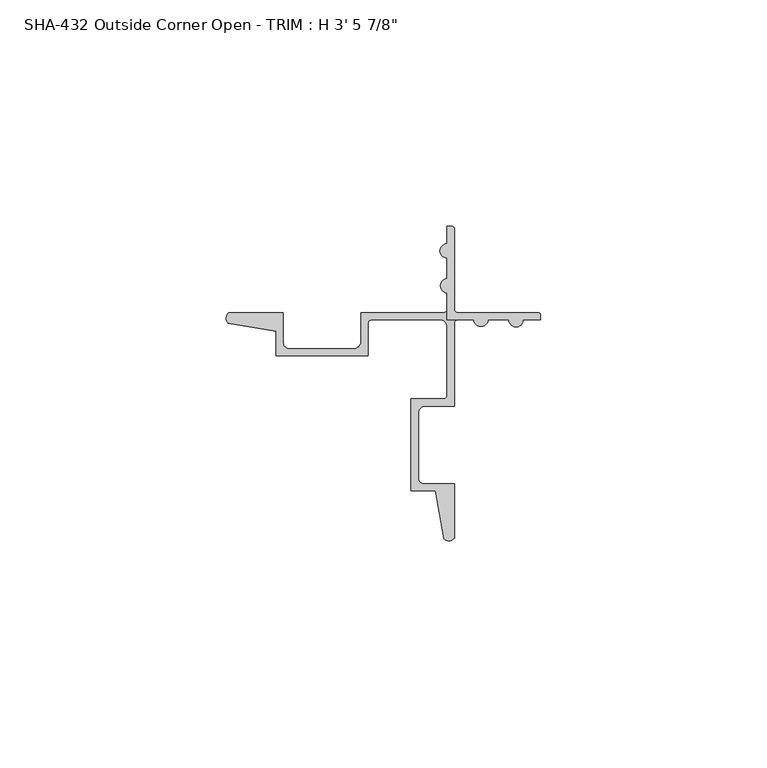
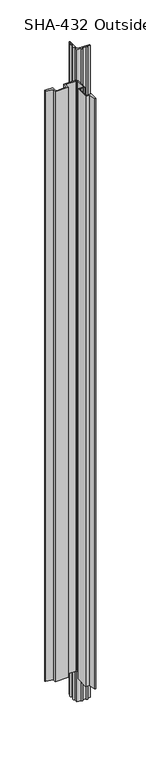
"""IFC4 building model written with IfcOpenShell, lengths in millimetres: proxy geometry."""

from ifc_helpers import new_model, si_unit, frame, origin, place, context, project, spatial, polyline, circle_curve, source, transform, mapped, element, save
from ifc_brep_helpers import plane_surface, cylinder_surface, revolved_surface, advanced_brep


def proxy_4dcf19a9(model_context):
    return source(origin(), model_context, "Body", "AdvancedBrep", [
        advanced_brep(
        [(24.4660295, 17.4752, 1063.625), (27.6156295, 17.4752, 1063.625), (32.2003295, 17.4752, 1063.625), (35.3499295, 17.4752, 1063.625), (39.1726295, 17.4752, 1063.625), (39.1726295, 18.532872, 1063.625), (38.6555014, 19.05, 1063.625), (20.9176495, 19.05, 1063.625), (20.1226295, 19.84502, 1063.625), (20.1226295, 37.5701258, 1063.625), (19.5927553, 38.1, 1063.625), (18.5478295, 38.1, 1063.625), (18.5478295, 34.2773, 1063.625), (18.5478295, 31.1277, 1063.625), (18.5478295, 26.543, 1063.625), (18.5478295, 23.3934, 1063.625), (18.5478295, 17.4752, 1063.625), (18.5478295, 17.4752, 0.0), (18.5478295, 23.3934, 0.0), (18.5478295, 26.543, 0.0), (18.5478295, 31.1277, 0.0), (18.5478295, 34.2773, 0.0), (18.5478295, 38.1, 0.0), (19.5927553, 38.1, 0.0), (20.1226295, 37.5701258, 0.0), (20.1226295, 19.84502, 0.0), (20.9176495, 19.05, 0.0), (38.6555014, 19.05, 0.0), (39.1726295, 18.532872, 0.0), (39.1726295, 17.4752, 0.0), (35.3499295, 17.4752, 0.0), (32.2003295, 17.4752, 0.0), (27.6156295, 17.4752, 0.0), (24.4660295, 17.4752, 0.0), (-29.8194785, 16.7286308, 1012.825), (-29.8194785, 16.7286308, 50.8), (-19.2433916, 14.917657, 50.8), (-19.2433916, 14.917657, 1012.825), (-19.2433916, 9.525, 50.8), (-19.2433916, 9.525, 1012.825), (1.0726295, 9.525, 50.8), (1.0726295, 9.525, 1012.825), (1.0726295, 16.68018, 50.8), (1.0726295, 16.68018, 1012.825), (1.8676495, 17.4752, 50.8), (1.8676495, 17.4752, 1012.825), (18.5478295, 17.4752, 1012.825), (20.9176495, 17.4752, 1012.825), (20.9176495, 17.4752, 50.8), (18.5478295, 17.4752, 50.8), (16.9603295, 17.4752, 50.8), (16.9603295, 17.4752, 1012.825), (18.5478295, 15.8877, 50.8), (18.5478295, 15.8877, 1012.825), (18.5478295, 0.79502, 50.8), (18.5478295, 0.79502, 1012.825), (17.7528095, 0.0, 50.8), (17.7528095, 0.0, 1012.825), (10.5976295, 0.0, 50.8), (10.5976295, 0.0, 1012.825), (10.5976295, -20.3160211, 50.8), (10.5976295, -20.3160211, 1012.825), (15.9902864, -20.3160211, 50.8), (15.9902864, -20.3160211, 1012.825), (17.8012602, -30.892108, 50.8), (17.8012602, -30.892108, 1012.825), (20.1226295, -30.8260242, 1012.825), (20.1226295, -30.8260242, 50.8), (20.1226295, -18.7412211, 50.8), (20.1226295, -18.7412211, 1012.825), (13.4424295, -18.7412211, 1012.825), (13.4424295, -18.7412211, 50.8), (12.1724295, -17.4712211, 50.8), (12.1724295, -17.4712211, 1012.825), (12.1724295, -3.1623, 50.8), (12.1724295, -3.1623, 1012.825), (13.7599295, -1.5748, 50.8), (13.7599295, -1.5748, 1012.825), (20.1226295, -1.5748, 1012.825), (20.1226295, -1.5748, 50.8), (20.1226295, 16.68018, 50.8), (20.1226295, 16.68018, 1012.825), (18.5478295, 19.84502, 50.8), (18.5478295, 19.84502, 1012.825), (17.7528095, 19.05, 50.8), (17.7528095, 19.05, 1012.825), (-0.5021705, 19.05, 50.8), (-0.5021705, 19.05, 1012.825), (-0.5021705, 12.6873, 50.8), (-0.5021705, 12.6873, 1012.825), (-2.0896705, 11.0998, 50.8), (-2.0896705, 11.0998, 1012.825), (-16.3985916, 11.0998, 50.8), (-16.3985916, 11.0998, 1012.825), (-17.6685916, 12.3698, 50.8), (-17.6685916, 12.3698, 1012.825), (-17.6685916, 19.05, 50.8), (-17.6685916, 19.05, 1012.825), (-29.7533947, 19.05, 50.8), (-29.7533947, 19.05, 1012.825)],
        [
            (0, 1, circle_curve(frame((26.0408295, 17.5661854, 1063.625), z_axis=(0.0, 0.0, 1.0), x_axis=(1.0, 0.0, 0.0)), 1.5774262)),
            (1, 2),
            (2, 3, circle_curve(frame((33.7751295, 17.4752, 1063.625), z_axis=(0.0, 0.0, 1.0), x_axis=(1.0, 0.0, 0.0)), 1.5748)),
            (3, 4),
            (4, 5),
            (5, 6, circle_curve(frame((38.6555014, 18.532872, 1063.625), z_axis=(0.0, 0.0, 1.0), x_axis=(1.0, 0.0, 0.0)), 0.517128)),
            (6, 7),
            (7, 8, circle_curve(frame((20.9176495, 19.84502, 1063.625), z_axis=(0.0, 0.0, -1.0), x_axis=(1.0, 0.0, 0.0)), 0.79502)),
            (8, 9),
            (9, 10, circle_curve(frame((19.5927553, 37.5701258, 1063.625), z_axis=(0.0, 0.0, 1.0), x_axis=(1.0, 0.0, 0.0)), 0.5298742)),
            (10, 11),
            (11, 12),
            (12, 13, circle_curve(frame((18.5478295, 32.7025, 1063.625), z_axis=(0.0, 0.0, 1.0), x_axis=(1.0, 0.0, 0.0)), 1.5748)),
            (13, 14),
            (14, 15, circle_curve(frame((18.6388149, 24.9682, 1063.625), z_axis=(0.0, 0.0, 1.0), x_axis=(1.0, 0.0, 0.0)), 1.5774262)),
            (15, 16),
            (16, 0),
            (17, 18),
            (18, 19, circle_curve(frame((18.6388149, 24.9682, 0.0), z_axis=(0.0, 0.0, -1.0), x_axis=(1.0, 0.0, 0.0)), 1.5774262)),
            (19, 20),
            (20, 21, circle_curve(frame((18.5478295, 32.7025, 0.0), z_axis=(0.0, 0.0, -1.0), x_axis=(1.0, 0.0, 0.0)), 1.5748)),
            (21, 22),
            (22, 23),
            (23, 24, circle_curve(frame((19.5927553, 37.5701258, 0.0), z_axis=(0.0, 0.0, -1.0), x_axis=(1.0, 0.0, 0.0)), 0.5298742)),
            (24, 25),
            (25, 26, circle_curve(frame((20.9176495, 19.84502, 0.0), z_axis=(0.0, 0.0, 1.0), x_axis=(1.0, 0.0, 0.0)), 0.79502)),
            (26, 27),
            (27, 28, circle_curve(frame((38.6555014, 18.532872, 0.0), z_axis=(0.0, 0.0, -1.0), x_axis=(1.0, 0.0, 0.0)), 0.517128)),
            (28, 29),
            (29, 30),
            (30, 31, circle_curve(frame((33.7751295, 17.4752, 0.0), z_axis=(0.0, 0.0, -1.0), x_axis=(1.0, 0.0, 0.0)), 1.5748)),
            (31, 32),
            (32, 33, circle_curve(frame((26.0408295, 17.5661854, 0.0), z_axis=(0.0, 0.0, -1.0), x_axis=(1.0, 0.0, 0.0)), 1.5774262)),
            (33, 17),
            (34, 35),
            (35, 36),
            (36, 37),
            (37, 34),
            (36, 38),
            (38, 39),
            (39, 37),
            (38, 40),
            (40, 41),
            (41, 39),
            (40, 42),
            (42, 43),
            (43, 41),
            (42, 44, circle_curve(frame((1.8676495, 16.68018, 50.8), z_axis=(0.0, 0.0, -1.0), x_axis=(1.0, 0.0, 0.0)), 0.79502)),
            (44, 45),
            (45, 43, circle_curve(frame((1.8676495, 16.68018, 1012.825), z_axis=(0.0, 0.0, 1.0), x_axis=(1.0, 0.0, 0.0)), 0.79502)),
            (33, 0),
            (16, 46),
            (46, 47),
            (47, 48),
            (48, 49),
            (49, 17),
            (50, 51),
            (51, 45),
            (44, 50),
            (50, 52, circle_curve(frame((16.9603295, 15.8877, 50.8), z_axis=(0.0, 0.0, -1.0), x_axis=(1.0, 0.0, 0.0)), 1.5875)),
            (52, 53),
            (53, 51, circle_curve(frame((16.9603295, 15.8877, 1012.825), z_axis=(0.0, 0.0, 1.0), x_axis=(1.0, 0.0, 0.0)), 1.5875)),
            (52, 54),
            (54, 55),
            (55, 53),
            (54, 56, circle_curve(frame((17.7528095, 0.79502, 50.8), z_axis=(0.0, 0.0, -1.0), x_axis=(1.0, 0.0, 0.0)), 0.79502)),
            (56, 57),
            (57, 55, circle_curve(frame((17.7528095, 0.79502, 1012.825), z_axis=(0.0, 0.0, 1.0), x_axis=(1.0, 0.0, 0.0)), 0.79502)),
            (56, 58),
            (58, 59),
            (59, 57),
            (58, 60),
            (60, 61),
            (61, 59),
            (60, 62),
            (62, 63),
            (63, 61),
            (62, 64),
            (64, 65),
            (65, 63),
            (66, 65, circle_curve(frame((18.929953, -29.7352665, 1012.825), z_axis=(0.0, 0.0, -1.0), x_axis=(1.0, 0.0, 0.0)), 1.6162393)),
            (64, 67, circle_curve(frame((18.929953, -29.7352665, 50.8), z_axis=(0.0, 0.0, 1.0), x_axis=(1.0, 0.0, 0.0)), 1.6162393)),
            (67, 66),
            (67, 68),
            (68, 69),
            (69, 66),
            (70, 69),
            (68, 71),
            (71, 70),
            (71, 72, circle_curve(frame((13.4424295, -17.4712211, 50.8), z_axis=(0.0, 0.0, -1.0), x_axis=(1.0, 0.0, 0.0)), 1.27)),
            (72, 73),
            (73, 70, circle_curve(frame((13.4424295, -17.4712211, 1012.825), z_axis=(0.0, 0.0, 1.0), x_axis=(1.0, 0.0, 0.0)), 1.27)),
            (72, 74),
            (74, 75),
            (75, 73),
            (74, 76, circle_curve(frame((13.7599295, -3.1623, 50.8), z_axis=(0.0, 0.0, -1.0), x_axis=(1.0, 0.0, 0.0)), 1.5875)),
            (76, 77),
            (77, 75, circle_curve(frame((13.7599295, -3.1623, 1012.825), z_axis=(0.0, 0.0, 1.0), x_axis=(1.0, 0.0, 0.0)), 1.5875)),
            (78, 77),
            (76, 79),
            (79, 78),
            (79, 80),
            (80, 81),
            (81, 78),
            (80, 48, circle_curve(frame((20.9176495, 16.68018, 50.8), z_axis=(0.0, 0.0, -1.0), x_axis=(1.0, 0.0, 0.0)), 0.79502)),
            (47, 81, circle_curve(frame((20.9176495, 16.68018, 1012.825), z_axis=(0.0, 0.0, 1.0), x_axis=(1.0, 0.0, 0.0)), 0.79502)),
            (32, 1),
            (31, 2),
            (30, 3),
            (29, 4),
            (28, 5),
            (27, 6),
            (26, 7),
            (25, 8),
            (24, 9),
            (23, 10),
            (22, 11),
            (21, 12),
            (20, 13),
            (19, 14),
            (18, 15),
            (49, 82),
            (82, 83),
            (83, 46),
            (82, 84, circle_curve(frame((17.7528095, 19.84502, 50.8), z_axis=(0.0, 0.0, -1.0), x_axis=(1.0, 0.0, 0.0)), 0.79502)),
            (84, 85),
            (85, 83, circle_curve(frame((17.7528095, 19.84502, 1012.825), z_axis=(0.0, 0.0, 1.0), x_axis=(1.0, 0.0, 0.0)), 0.79502)),
            (84, 86),
            (86, 87),
            (87, 85),
            (86, 88),
            (88, 89),
            (89, 87),
            (88, 90, circle_curve(frame((-2.0896705, 12.6873, 50.8), z_axis=(0.0, 0.0, -1.0), x_axis=(1.0, 0.0, 0.0)), 1.5875)),
            (90, 91),
            (91, 89, circle_curve(frame((-2.0896705, 12.6873, 1012.825), z_axis=(0.0, 0.0, 1.0), x_axis=(1.0, 0.0, 0.0)), 1.5875)),
            (90, 92),
            (92, 93),
            (93, 91),
            (92, 94, circle_curve(frame((-16.3985916, 12.3698, 50.8), z_axis=(0.0, 0.0, -1.0), x_axis=(1.0, 0.0, 0.0)), 1.27)),
            (94, 95),
            (95, 93, circle_curve(frame((-16.3985916, 12.3698, 1012.825), z_axis=(0.0, 0.0, 1.0), x_axis=(1.0, 0.0, 0.0)), 1.27)),
            (94, 96),
            (96, 97),
            (97, 95),
            (96, 98),
            (98, 99),
            (99, 97),
            (98, 35, circle_curve(frame((-28.662637, 17.8573235, 50.8), z_axis=(0.0, 0.0, 1.0), x_axis=(1.0, 0.0, 0.0)), 1.6162393)),
            (34, 99, circle_curve(frame((-28.662637, 17.8573235, 1012.825), z_axis=(0.0, 0.0, -1.0), x_axis=(1.0, 0.0, 0.0)), 1.6162393)),
        ],
        [
            plane_surface(frame((-29.8194785, 16.7286308, 1063.625), z_axis=(0.0, 0.0, 1.0000000000000002), x_axis=(0.9856543593991657, -0.16877643140385584, 0.0))),
            plane_surface(frame((-29.8194785, 16.7286308, 0.0), z_axis=(0.0, 0.0, -1.0000000000000002), x_axis=(-0.9856543593991657, 0.16877643140385584, 0.0))),
            plane_surface(frame((-29.8194785, 16.7286308, 1063.625), z_axis=(-0.16877643140385584, -0.9856543593991657, 0.0), x_axis=(0.0, 0.0, -1.0))),
            plane_surface(frame((-19.2433916, 14.917657, 1063.625), z_axis=(-1.0, 0.0, 0.0), x_axis=(0.0, 0.0, -1.0))),
            plane_surface(frame((-19.2433916, 9.525, 1063.625), z_axis=(0.0, -1.0, 0.0), x_axis=(0.0, 0.0, -1.0))),
            plane_surface(frame((1.0726295, 9.525, 1063.625), z_axis=(1.0, 0.0, 0.0), x_axis=(0.0, 0.0, -1.0))),
            revolved_surface(polyline([(2.6626695, 16.68018, 50.8), (2.6626695, 16.68018, 1012.825)]), (1.8676495, 16.68018, 0.0), (0.0, 0.0, -1.0)),
            plane_surface(frame((1.8676495, 17.4752, 1063.625), z_axis=(0.0, -1.0, 0.0), x_axis=(0.0, 0.0, -1.0))),
            revolved_surface(polyline([(18.5478295, 15.8877, 50.8), (18.5478295, 15.8877, 1012.825)]), (16.9603295, 15.8877, 0.0), (0.0, 0.0, -1.0)),
            plane_surface(frame((18.5478295, 15.8877, 1063.625), z_axis=(-1.0, 0.0, 0.0), x_axis=(0.0, 0.0, -1.0))),
            revolved_surface(polyline([(18.547829500000002, 0.79502, 50.8), (18.547829500000002, 0.79502, 1012.825)]), (17.7528095, 0.79502, 0.0), (0.0, 0.0, -1.0)),
            plane_surface(frame((17.7528095, 0.0, 1063.625), z_axis=(0.0, 1.0, 0.0), x_axis=(0.0, 0.0, -1.0))),
            plane_surface(frame((10.5976295, 0.0, 1063.625), z_axis=(-1.0, 0.0, 0.0), x_axis=(0.0, 0.0, -1.0))),
            plane_surface(frame((10.5976295, -20.3160211, 1063.625), z_axis=(0.0, -1.0, 0.0), x_axis=(0.0, 0.0, -1.0))),
            plane_surface(frame((15.9902864, -20.3160211, 1063.625), z_axis=(-0.98565435939916, -0.1687764314038893, 0.0), x_axis=(0.0, 0.0, -1.0))),
            cylinder_surface(frame((18.929953, -29.7352665, 0.0), z_axis=(0.0, 0.0, 1.0), x_axis=(1.0, 0.0, 0.0)), 1.6162393),
            plane_surface(frame((20.1226295, -30.8260242, 1063.625), z_axis=(1.0, 0.0, 0.0), x_axis=(0.0, 0.0, -1.0))),
            plane_surface(frame((20.1226295, -18.7412211, 1063.625), z_axis=(0.0, 1.0, 0.0), x_axis=(0.0, 0.0, -1.0))),
            revolved_surface(polyline([(14.712429499999999, -17.4712211, 50.8), (14.712429499999999, -17.4712211, 1012.825)]), (13.4424295, -17.4712211, 0.0), (0.0, 0.0, -1.0)),
            plane_surface(frame((12.1724295, -17.4712211, 1063.625), z_axis=(1.0, 0.0, 0.0), x_axis=(0.0, 0.0, -1.0))),
            revolved_surface(polyline([(15.3474295, -3.1623, 50.8), (15.3474295, -3.1623, 1012.825)]), (13.7599295, -3.1623, 0.0), (0.0, 0.0, -1.0)),
            plane_surface(frame((13.7599295, -1.5748, 1063.625), z_axis=(0.0, -1.0, 0.0), x_axis=(0.0, 0.0, -1.0))),
            plane_surface(frame((20.1226295, -1.5748, 1063.625), z_axis=(1.0, 0.0, 0.0), x_axis=(0.0, 0.0, -1.0))),
            revolved_surface(polyline([(21.7126695, 16.68018, 50.8), (21.7126695, 16.68018, 1012.825)]), (20.9176495, 16.68018, 0.0), (0.0, 0.0, -1.0)),
            cylinder_surface(frame((26.0408295, 17.5661854, 0.0), z_axis=(0.0, 0.0, 1.0), x_axis=(1.0, 0.0, 0.0)), 1.5774262),
            plane_surface(frame((27.6156295, 17.4752, 1063.625), z_axis=(0.0, -1.0, 0.0), x_axis=(0.0, 0.0, -1.0))),
            cylinder_surface(frame((33.7751295, 17.4752, 0.0), z_axis=(0.0, 0.0, 1.0), x_axis=(1.0, 0.0, 0.0)), 1.5748),
            plane_surface(frame((35.3499295, 17.4752, 1063.625), z_axis=(0.0, -1.0, 0.0), x_axis=(0.0, 0.0, -1.0))),
            plane_surface(frame((39.1726295, 17.4752, 1063.625), z_axis=(1.0, 0.0, 0.0), x_axis=(0.0, 0.0, -1.0))),
            cylinder_surface(frame((38.6555014, 18.532872, 0.0), z_axis=(0.0, 0.0, 1.0), x_axis=(1.0, 0.0, 0.0)), 0.517128),
            plane_surface(frame((38.6555014, 19.05, 1063.625), z_axis=(0.0, 1.0, 0.0), x_axis=(0.0, 0.0, -1.0))),
            revolved_surface(polyline([(21.7126695, 19.84502, 0.0), (21.7126695, 19.84502, 1063.625)]), (20.9176495, 19.84502, 0.0), (0.0, 0.0, -1.0)),
            plane_surface(frame((20.1226295, 19.84502, 1063.625), z_axis=(1.0, 0.0, 0.0), x_axis=(0.0, 0.0, -1.0))),
            cylinder_surface(frame((19.5927553, 37.5701258, 0.0), z_axis=(0.0, 0.0, 1.0), x_axis=(1.0, 0.0, 0.0)), 0.5298742),
            plane_surface(frame((19.5927553, 38.1, 1063.625), z_axis=(0.0, 1.0, 0.0), x_axis=(0.0, 0.0, -1.0))),
            plane_surface(frame((18.5478295, 38.1, 1063.625), z_axis=(-1.0, 0.0, 0.0), x_axis=(0.0, 0.0, -1.0))),
            cylinder_surface(frame((18.5478295, 32.7025, 0.0), z_axis=(0.0, 0.0, 1.0), x_axis=(1.0, 0.0, 0.0)), 1.5748),
            plane_surface(frame((18.5478295, 31.1277, 1063.625), z_axis=(-1.0, 0.0, 0.0), x_axis=(0.0, 0.0, -1.0))),
            cylinder_surface(frame((18.6388149, 24.9682, 0.0), z_axis=(0.0, 0.0, 1.0), x_axis=(1.0, 0.0, 0.0)), 1.5774262),
            plane_surface(frame((18.5478295, 23.3934, 1063.625), z_axis=(-1.0, 0.0, 0.0), x_axis=(0.0, 0.0, -1.0))),
            revolved_surface(polyline([(18.547829500000002, 19.84502, 50.8), (18.547829500000002, 19.84502, 1012.825)]), (17.7528095, 19.84502, 0.0), (0.0, 0.0, -1.0)),
            plane_surface(frame((17.7528095, 19.05, 1063.625), z_axis=(0.0, 1.0, 0.0), x_axis=(0.0, 0.0, -1.0))),
            plane_surface(frame((-0.5021705, 19.05, 1063.625), z_axis=(-1.0, 0.0, 0.0), x_axis=(0.0, 0.0, -1.0))),
            revolved_surface(polyline([(-0.5021705000000001, 12.6873, 50.8), (-0.5021705000000001, 12.6873, 1012.825)]), (-2.0896705, 12.6873, 0.0), (0.0, 0.0, -1.0)),
            plane_surface(frame((-2.0896705, 11.0998, 1063.625), z_axis=(0.0, 1.0, 0.0), x_axis=(0.0, 0.0, -1.0))),
            revolved_surface(polyline([(-15.1285916, 12.3698, 50.8), (-15.1285916, 12.3698, 1012.825)]), (-16.3985916, 12.3698, 0.0), (0.0, 0.0, -1.0)),
            plane_surface(frame((-17.6685916, 12.3698, 1063.625), z_axis=(1.0, 0.0, 0.0), x_axis=(0.0, 0.0, -1.0))),
            plane_surface(frame((-17.6685916, 19.05, 1063.625), z_axis=(0.0, 1.0, 0.0), x_axis=(0.0, 0.0, -1.0))),
            cylinder_surface(frame((-28.662637, 17.8573235, 0.0), z_axis=(0.0, 0.0, 1.0), x_axis=(1.0, 0.0, 0.0)), 1.6162393),
            plane_surface(frame((10.5976295, -66.04, 1012.825), z_axis=(0.0, 0.0, 1.0), x_axis=(0.0, 1.0, 0.0))),
            plane_surface(frame((22.5038795, -66.04, 50.8), z_axis=(0.0, 0.0, -1.0), x_axis=(0.0, 1.0, 0.0))),
        ],
        [
            (0, [[1, 2, 3, 4, 5, 6, 7, 8, 9, 10, 11, 12, 13, 14, 15, 16, 17]]),
            (1, [[18, 19, 20, 21, 22, 23, 24, 25, 26, 27, 28, 29, 30, 31, 32, 33, 34]]),
            (2, [[35, 36, 37, 38]]),
            (3, [[-37, 39, 40, 41]]),
            (4, [[-40, 42, 43, 44]]),
            (5, [[-43, 45, 46, 47]]),
            (6, [[-46, 48, 49, 50]]),
            (7, [[51, -17, 52, 53, 54, 55, 56, -34]]),
            (7, [[57, 58, -49, 59]]),
            (8, [[-57, 60, 61, 62]]),
            (9, [[-61, 63, 64, 65]]),
            (10, [[-64, 66, 67, 68]]),
            (11, [[-67, 69, 70, 71]]),
            (12, [[-70, 72, 73, 74]]),
            (13, [[-73, 75, 76, 77]]),
            (14, [[-76, 78, 79, 80]]),
            (15, [[81, -79, 82, 83]]),
            (16, [[-83, 84, 85, 86]]),
            (17, [[87, -85, 88, 89]]),
            (18, [[-89, 90, 91, 92]]),
            (19, [[-91, 93, 94, 95]]),
            (20, [[-94, 96, 97, 98]]),
            (21, [[99, -97, 100, 101]]),
            (22, [[-101, 102, 103, 104]]),
            (23, [[-103, 105, -54, 106]]),
            (24, [[-1, -51, -33, 107]]),
            (25, [[-2, -107, -32, 108]]),
            (26, [[-3, -108, -31, 109]]),
            (27, [[-4, -109, -30, 110]]),
            (28, [[-5, -110, -29, 111]]),
            (29, [[-6, -111, -28, 112]]),
            (30, [[-7, -112, -27, 113]]),
            (31, [[-8, -113, -26, 114]]),
            (32, [[-9, -114, -25, 115]]),
            (33, [[-10, -115, -24, 116]]),
            (34, [[-11, -116, -23, 117]]),
            (35, [[-12, -117, -22, 118]]),
            (36, [[-13, -118, -21, 119]]),
            (37, [[-14, -119, -20, 120]]),
            (38, [[-15, -120, -19, 121]]),
            (39, [[-121, -18, -56, 122, 123, 124, -52, -16]]),
            (40, [[-123, 125, 126, 127]]),
            (41, [[-126, 128, 129, 130]]),
            (42, [[-129, 131, 132, 133]]),
            (43, [[-132, 134, 135, 136]]),
            (44, [[-135, 137, 138, 139]]),
            (45, [[-138, 140, 141, 142]]),
            (46, [[-141, 143, 144, 145]]),
            (47, [[-144, 146, 147, 148]]),
            (48, [[149, -35, 150, -147]]),
            (49, [[-62, -65, -68, -71, -74, -77, -80, -81, -86, -87, -92, -95, -98, -99, -104, -106, -53, -124, -127, -130, -133, -136, -139, -142, -145, -148, -150, -38, -41, -44, -47, -50, -58]]),
            (50, [[-60, -59, -48, -45, -42, -39, -36, -149, -146, -143, -140, -137, -134, -131, -128, -125, -122, -55, -105, -102, -100, -96, -93, -90, -88, -84, -82, -78, -75, -72, -69, -66, -63]]),
        ],
    ),
    ])


if __name__ == "__main__":
    model = new_model("IFC4")
    model_context = context("Model", 3, world=origin())
    ifc_project = project(units=[si_unit("LENGTHUNIT", "METRE", prefix="MILLI")], contexts=[model_context])
    site = spatial("IfcSite", under=ifc_project)
    building = spatial("IfcBuilding", under=site)
    placement = place(None, origin())
    proxy_shape = proxy_4dcf19a9(model_context)
    element("IfcBuildingElementProxy", 1, Name="SHA-432 Outside Corner Open - TRIM : H 3' 5 7/8\"", ObjectType="SHA-432 Outside Corner Open - TRIM : H 3' 5 7/8\"", at=placement, inside=building, context=model_context, shape_type="MappedRepresentation", body=[
        mapped(proxy_shape, transform((0.0, 0.0, 0.0), x_axis=(1.0, 0.0, 0.0), y_axis=(0.0, 1.0, 0.0), z_axis=(0.0, 0.0, 1.0))),
    ])
    save(model, "model.ifc")
